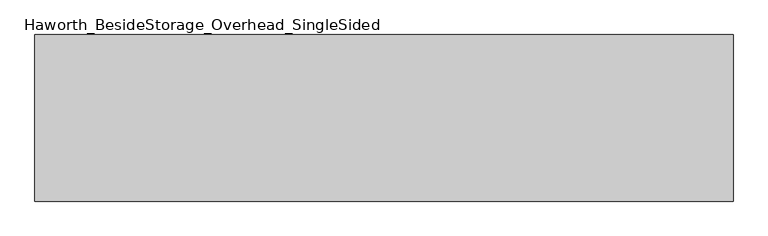
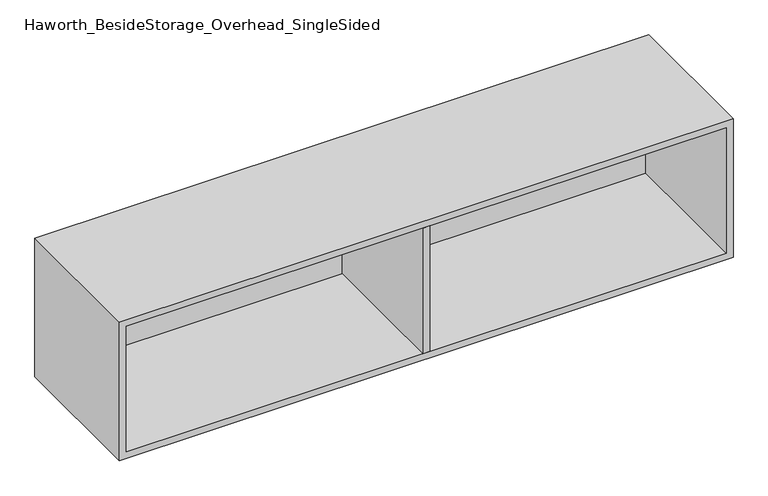
"""IFC4 building model written with IfcOpenShell, lengths in millimetres: furniture geometry, Haworth_BesideStorage_Overhead_SingleSided."""

from ifc_helpers import new_model, si_unit, frame, origin, place, context, project, spatial, polyline, outline, extrude, source, transform, mapped, element, save


def haworth_besidestorage_overhead_singlesided_b0a332cc(model_context):
    return source(origin(), model_context, "Body", "SweptSolid", [
        extrude(outline(polyline([(174.625, -400.05), (155.575, -400.05), (155.575, -19.05), (174.625, -19.05), (174.625, -400.05)])), frame((0.0, 0.0, 781.05), z_axis=(0.0, 0.0, 1.0), x_axis=(1.0, 0.0, 0.0)), (0.0, 0.0, 1.0), 361.95),
        extrude(outline(polyline([(984.25, -19.05), (-654.05, -19.05), (-654.05, 0.0), (984.25, 0.0), (984.25, -19.05)])), frame((0.0, 0.0, 781.05), z_axis=(0.0, 0.0, 1.0), x_axis=(1.0, 0.0, 0.0)), (0.0, 0.0, 1.0), 361.95),
        extrude(outline(polyline([(762.0, 1003.3), (1162.05, 1003.3), (1162.05, -673.1), (762.0, -673.1), (762.0, 1003.3)]), holes=[polyline([(1143.0, 984.25), (781.05, 984.25), (781.05, -654.05), (1143.0, -654.05), (1143.0, 984.25)])]), frame((0.0, -400.05, 0.0), z_axis=(0.0, 1.0, 0.0), x_axis=(0.0, 0.0, 1.0)), (0.0, 0.0, 1.0), 400.05),
    ])


if __name__ == "__main__":
    model = new_model("IFC4")
    model_context = context("Model", 3, world=origin())
    ifc_project = project(units=[si_unit("LENGTHUNIT", "METRE", prefix="MILLI")], contexts=[model_context])
    site = spatial("IfcSite", under=ifc_project)
    building = spatial("IfcBuilding", under=site)
    placement = place(None, origin())
    haworth_besidestorage_overhead_singlesided_shape = haworth_besidestorage_overhead_singlesided_b0a332cc(model_context)
    element("IfcFurniture", 1, ObjectType="Haworth_BesideStorage_Overhead_SingleSided", at=placement, inside=building, context=model_context, shape_type="MappedRepresentation", body=[
        mapped(haworth_besidestorage_overhead_singlesided_shape, transform((0.0, 0.0, 0.0), x_axis=(1.0, 0.0, 0.0), y_axis=(0.0, 1.0, 0.0), z_axis=(0.0, 0.0, 1.0))),
    ])
    save(model, "model.ifc")
